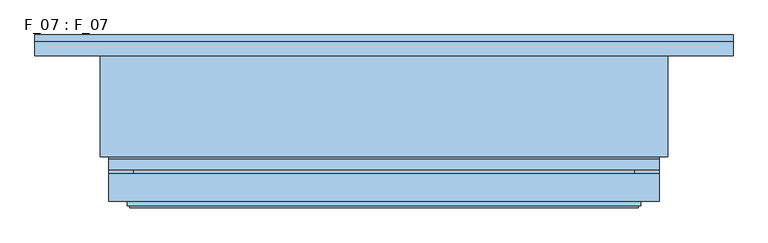
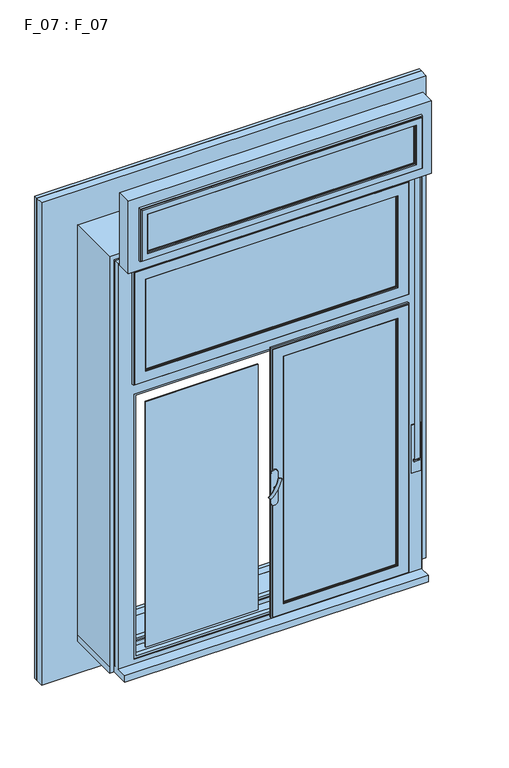
"""IFC4 building model written with IfcOpenShell, lengths in millimetres: window geometry, F_07 : F_07."""

from ifc_helpers import new_model, si_unit, point, frame, frame_2d, origin, place, context, project, spatial, polyline, circle_curve, ellipse_curve, trimmed, segment, composite_curve, outline, extrude, faceted_brep, source, transform, mapped, element, save
from ifc_brep_helpers import plane_surface, revolved_surface, advanced_brep


def f_07_f_07_e4f1faaf(model_context):
    return source(origin(), model_context, "Body", "SolidModel", [
        extrude(outline(polyline([(2710.0, -675.0), (820.0, -675.0), (820.0, 675.0), (2710.0, 675.0), (2710.0, -675.0)]), holes=[polyline([(2690.0, -655.0), (2690.0, 655.0), (840.0, 655.0), (840.0, -655.0), (2690.0, -655.0)])]), frame((0.0, 255.0, 0.0), z_axis=(0.0, 1.0, 0.0), x_axis=(0.0, 0.0, 1.0)), (0.0, 0.0, 1.0), 15.0),
        extrude(outline(polyline([(665.0, -830.0), (665.0, 830.0), (2865.0, 830.0), (2865.0, -830.0), (665.0, -830.0)]), holes=[polyline([(2845.0, -810.0), (2845.0, 810.0), (685.0, 810.0), (685.0, -810.0), (2845.0, -810.0)])]), frame((0.0, 255.0, 0.0), z_axis=(0.0, 1.0, 0.0), x_axis=(0.0, 0.0, 1.0)), (0.0, 0.0, 1.0), 15.0),
        extrude(outline(polyline([(820.0, 685.6066017), (944.3933983, 810.0), (965.6066017, 810.0), (1090.0, 685.6066017), (1214.3933983, 810.0), (1235.6066017, 810.0), (1360.0, 685.6066017), (1484.3933983, 810.0), (1505.6066017, 810.0), (1630.0, 685.6066017), (1754.3933983, 810.0), (1775.6066017, 810.0), (1900.0, 685.6066017), (2024.3933983, 810.0), (2045.6066017, 810.0), (2170.0, 685.6066017), (2294.3933983, 810.0), (2315.6066017, 810.0), (2440.0, 685.6066017), (2564.3933983, 810.0), (2575.0, 810.0), (2704.6966991, 680.3033009), (2834.3933983, 810.0), (2845.0, 810.0), (2845.0, 799.3933983), (2715.3033009, 669.6966991), (2845.0, 540.0), (2845.0, 529.3933983), (2720.6066017, 405.0), (2845.0, 280.6066017), (2845.0, 259.3933983), (2720.6066017, 135.0), (2845.0, 10.6066017), (2845.0, -10.6066017), (2720.6066017, -135.0), (2845.0, -259.3933983), (2845.0, -280.6066017), (2720.6066017, -405.0), (2845.0, -529.3933983), (2845.0, -550.6066017), (2720.6066017, -675.0), (2845.0, -799.3933983), (2845.0, -810.0), (2834.3933983, -810.0), (2710.0, -685.6066017), (2585.6066017, -810.0), (2564.3933983, -810.0), (2440.0, -685.6066017), (2315.6066017, -810.0), (2294.3933983, -810.0), (2170.0, -685.6066017), (2045.6066017, -810.0), (2024.3933983, -810.0), (1900.0, -685.6066017), (1775.6066017, -810.0), (1754.3933983, -810.0), (1630.0, -685.6066017), (1505.6066017, -810.0), (1484.3933983, -810.0), (1360.0, -685.6066017), (1235.6066017, -810.0), (1214.3933983, -810.0), (1090.0, -685.6066017), (965.6066017, -810.0), (944.3933983, -810.0), (820.0, -685.6066017), (695.6066017, -810.0), (685.0, -810.0), (685.0, -799.3933983), (809.3933983, -675.0), (685.0, -550.6066017), (685.0, -529.3933983), (809.3933983, -405.0), (685.0, -280.6066017), (685.0, -259.3933983), (809.3933983, -135.0), (685.0, -10.6066017), (685.0, 10.6066017), (809.3933983, 135.0), (685.0, 259.3933983), (685.0, 280.6066017), (809.3933983, 405.0), (685.0, 529.3933983), (685.0, 550.6066017), (809.3933983, 675.0), (685.0, 799.3933983), (685.0, 810.0), (695.6066017, 810.0), (820.0, 685.6066017)]), holes=[polyline([(820.0, 664.3933983), (695.6066017, 540.0), (820.0, 415.6066017), (820.0, 394.3933983), (695.6066017, 270.0), (820.0, 145.6066017), (820.0, 124.3933983), (695.6066017, 0.0), (820.0, -124.3933983), (820.0, -145.6066017), (695.6066017, -270.0), (820.0, -394.3933983), (820.0, -415.6066017), (695.6066017, -540.0), (820.0, -664.3933983), (820.0, -675.0), (830.6066017, -675.0), (955.0, -799.3933983), (1079.3933983, -675.0), (1100.6066017, -675.0), (1225.0, -799.3933983), (1349.3933983, -675.0), (1370.6066017, -675.0), (1495.0, -799.3933983), (1619.3933983, -675.0), (1640.6066017, -675.0), (1765.0, -799.3933983), (1889.3933983, -675.0), (1910.6066017, -675.0), (2035.0, -799.3933983), (2159.3933983, -675.0), (2180.6066017, -675.0), (2305.0, -799.3933983), (2429.3933983, -675.0), (2450.6066017, -675.0), (2575.0, -799.3933983), (2699.3933983, -675.0), (2710.0, -675.0), (2710.0, -664.3933983), (2834.3933983, -540.0), (2710.0, -415.6066017), (2710.0, -394.3933983), (2834.3933983, -270.0), (2710.0, -145.6066017), (2710.0, -124.3933983), (2834.3933983, 0.0), (2710.0, 124.3933983), (2710.0, 145.6066017), (2834.3933983, 270.0), (2710.0, 394.3933983), (2710.0, 415.6066017), (2829.0900974, 534.6966991), (2710.0, 653.7867966), (2710.0, 675.0), (2688.7867966, 675.0), (2569.6966991, 794.0900974), (2450.6066017, 675.0), (2429.3933983, 675.0), (2305.0, 799.3933983), (2180.6066017, 675.0), (2159.3933983, 675.0), (2035.0, 799.3933983), (1910.6066017, 675.0), (1889.3933983, 675.0), (1765.0, 799.3933983), (1640.6066017, 675.0), (1619.3933983, 675.0), (1495.0, 799.3933983), (1370.6066017, 675.0), (1349.3933983, 675.0), (1225.0, 799.3933983), (1100.6066017, 675.0), (1079.3933983, 675.0), (955.0, 799.3933983), (830.6066017, 675.0), (820.0, 675.0), (820.0, 664.3933983)])]), frame((0.0, 255.0, 0.0), z_axis=(0.0, 1.0, 0.0), x_axis=(0.0, 0.0, 1.0)), (0.0, 0.0, 1.0), 10.0),
        extrude(outline(composite_curve([segment(polyline([(2845.0, 470.0), (2845.0, 340.0)]), True, "CONTINUOUS"), segment(trimmed(circle_curve(frame_2d((2845.0, 405.0)), 65.0), [point((2845.0, 340.0))], [point((2845.0, 470.0))], False, "CARTESIAN"), True, "CONTINUOUS")], self_intersect=False)), frame((0.0, 255.0, 0.0), z_axis=(0.0, 1.0, 0.0), x_axis=(0.0, 0.0, 1.0)), (0.0, 0.0, 1.0), 10.0),
        extrude(outline(composite_curve([segment(polyline([(2845.0, 200.0), (2845.0, 70.0)]), True, "CONTINUOUS"), segment(trimmed(circle_curve(frame_2d((2845.0, 135.0)), 65.0), [point((2845.0, 70.0))], [point((2845.0, 200.0))], False, "CARTESIAN"), True, "CONTINUOUS")], self_intersect=False)), frame((0.0, 255.0, 0.0), z_axis=(0.0, 1.0, 0.0), x_axis=(0.0, 0.0, 1.0)), (0.0, 0.0, 1.0), 10.0),
        extrude(outline(composite_curve([segment(polyline([(2845.0, -70.0), (2845.0, -200.0)]), True, "CONTINUOUS"), segment(trimmed(circle_curve(frame_2d((2845.0, -135.0)), 65.0), [point((2845.0, -200.0))], [point((2845.0, -70.0))], False, "CARTESIAN"), True, "CONTINUOUS")], self_intersect=False)), frame((0.0, 255.0, 0.0), z_axis=(0.0, 1.0, 0.0), x_axis=(0.0, 0.0, 1.0)), (0.0, 0.0, 1.0), 10.0),
        extrude(outline(composite_curve([segment(polyline([(2845.0, -340.0), (2845.0, -470.0)]), True, "CONTINUOUS"), segment(trimmed(circle_curve(frame_2d((2845.0, -405.0)), 65.0), [point((2845.0, -470.0))], [point((2845.0, -340.0))], False, "CARTESIAN"), True, "CONTINUOUS")], self_intersect=False)), frame((0.0, 255.0, 0.0), z_axis=(0.0, 1.0, 0.0), x_axis=(0.0, 0.0, 1.0)), (0.0, 0.0, 1.0), 10.0),
        extrude(outline(composite_curve([segment(polyline([(2845.0, -610.0), (2845.0, -740.0)]), True, "CONTINUOUS"), segment(trimmed(circle_curve(frame_2d((2845.0, -675.0)), 65.0), [point((2845.0, -740.0))], [point((2845.0, -610.0))], False, "CARTESIAN"), True, "CONTINUOUS")], self_intersect=False)), frame((0.0, 255.0, 0.0), z_axis=(0.0, 1.0, 0.0), x_axis=(0.0, 0.0, 1.0)), (0.0, 0.0, 1.0), 10.0),
        extrude(outline(composite_curve([segment(polyline([(2845.0, 735.0), (2845.0, 605.0)]), True, "CONTINUOUS"), segment(trimmed(circle_curve(frame_2d((2845.0, 670.0)), 65.0), [point((2845.0, 605.0))], [point((2845.0, 735.0))], False, "CARTESIAN"), True, "CONTINUOUS")], self_intersect=False)), frame((0.0, 255.0, 0.0), z_axis=(0.0, 1.0, 0.0), x_axis=(0.0, 0.0, 1.0)), (0.0, 0.0, 1.0), 10.0),
        extrude(outline(composite_curve([segment(trimmed(circle_curve(frame_2d((2710.0, 270.0)), 65.0), [point((2710.0, 335.0))], [point((2710.0, 205.0))], False, "CARTESIAN"), True, "CONTINUOUS"), segment(polyline([(2710.0, 205.0), (2710.0, 335.0)]), True, "CONTINUOUS")], self_intersect=False)), frame((0.0, 255.0, 0.0), z_axis=(0.0, 1.0, 0.0), x_axis=(0.0, 0.0, 1.0)), (0.0, 0.0, 1.0), 10.0),
        extrude(outline(composite_curve([segment(trimmed(circle_curve(frame_2d((2710.0, 534.6966991)), 65.0), [point((2710.0, 599.6966991))], [point((2710.0, 469.6966991))], False, "CARTESIAN"), True, "CONTINUOUS"), segment(polyline([(2710.0, 469.6966991), (2710.0, 599.6966991)]), True, "CONTINUOUS")], self_intersect=False)), frame((0.0, 255.0, 0.0), z_axis=(0.0, 1.0, 0.0), x_axis=(0.0, 0.0, 1.0)), (0.0, 0.0, 1.0), 10.0),
        extrude(outline(composite_curve([segment(trimmed(circle_curve(frame_2d((2710.0, 0.0)), 65.0), [point((2710.0, 65.0))], [point((2710.0, -65.0))], False, "CARTESIAN"), True, "CONTINUOUS"), segment(polyline([(2710.0, -65.0), (2710.0, 65.0)]), True, "CONTINUOUS")], self_intersect=False)), frame((0.0, 255.0, 0.0), z_axis=(0.0, 1.0, 0.0), x_axis=(0.0, 0.0, 1.0)), (0.0, 0.0, 1.0), 10.0),
        extrude(outline(composite_curve([segment(trimmed(circle_curve(frame_2d((2710.0, -270.0)), 65.0), [point((2710.0, -205.0))], [point((2710.0, -335.0))], False, "CARTESIAN"), True, "CONTINUOUS"), segment(polyline([(2710.0, -335.0), (2710.0, -205.0)]), True, "CONTINUOUS")], self_intersect=False)), frame((0.0, 255.0, 0.0), z_axis=(0.0, 1.0, 0.0), x_axis=(0.0, 0.0, 1.0)), (0.0, 0.0, 1.0), 10.0),
        extrude(outline(composite_curve([segment(trimmed(circle_curve(frame_2d((2710.0, -540.0)), 65.0), [point((2710.0, -475.0))], [point((2710.0, -605.0))], False, "CARTESIAN"), True, "CONTINUOUS"), segment(polyline([(2710.0, -605.0), (2710.0, -475.0)]), True, "CONTINUOUS")], self_intersect=False)), frame((0.0, 255.0, 0.0), z_axis=(0.0, 1.0, 0.0), x_axis=(0.0, 0.0, 1.0)), (0.0, 0.0, 1.0), 10.0),
        extrude(outline(composite_curve([segment(polyline([(820.0, 605.0), (820.0, 475.0)]), True, "CONTINUOUS"), segment(trimmed(circle_curve(frame_2d((820.0, 540.0)), 65.0), [point((820.0, 475.0))], [point((820.0, 605.0))], False, "CARTESIAN"), True, "CONTINUOUS")], self_intersect=False)), frame((0.0, 255.0, 0.0), z_axis=(0.0, 1.0, 0.0), x_axis=(0.0, 0.0, 1.0)), (0.0, 0.0, 1.0), 10.0),
        extrude(outline(composite_curve([segment(polyline([(820.0, 335.0), (820.0, 205.0)]), True, "CONTINUOUS"), segment(trimmed(circle_curve(frame_2d((820.0, 270.0)), 65.0), [point((820.0, 205.0))], [point((820.0, 335.0))], False, "CARTESIAN"), True, "CONTINUOUS")], self_intersect=False)), frame((0.0, 255.0, 0.0), z_axis=(0.0, 1.0, 0.0), x_axis=(0.0, 0.0, 1.0)), (0.0, 0.0, 1.0), 10.0),
        extrude(outline(composite_curve([segment(polyline([(820.0, 65.0), (820.0, -65.0)]), True, "CONTINUOUS"), segment(trimmed(circle_curve(frame_2d((820.0, 0.0)), 65.0), [point((820.0, -65.0))], [point((820.0, 65.0))], False, "CARTESIAN"), True, "CONTINUOUS")], self_intersect=False)), frame((0.0, 255.0, 0.0), z_axis=(0.0, 1.0, 0.0), x_axis=(0.0, 0.0, 1.0)), (0.0, 0.0, 1.0), 10.0),
        extrude(outline(composite_curve([segment(polyline([(820.0, -205.0), (820.0, -335.0)]), True, "CONTINUOUS"), segment(trimmed(circle_curve(frame_2d((820.0, -270.0)), 65.0), [point((820.0, -335.0))], [point((820.0, -205.0))], False, "CARTESIAN"), True, "CONTINUOUS")], self_intersect=False)), frame((0.0, 255.0, 0.0), z_axis=(0.0, 1.0, 0.0), x_axis=(0.0, 0.0, 1.0)), (0.0, 0.0, 1.0), 10.0),
        extrude(outline(composite_curve([segment(polyline([(820.0, -475.0), (820.0, -605.0)]), True, "CONTINUOUS"), segment(trimmed(circle_curve(frame_2d((820.0, -540.0)), 65.0), [point((820.0, -605.0))], [point((820.0, -475.0))], False, "CARTESIAN"), True, "CONTINUOUS")], self_intersect=False)), frame((0.0, 255.0, 0.0), z_axis=(0.0, 1.0, 0.0), x_axis=(0.0, 0.0, 1.0)), (0.0, 0.0, 1.0), 10.0),
        extrude(outline(composite_curve([segment(trimmed(circle_curve(frame_2d((685.0, 405.0)), 65.0), [point((685.0, 470.0))], [point((685.0, 340.0))], False, "CARTESIAN"), True, "CONTINUOUS"), segment(polyline([(685.0, 340.0), (685.0, 470.0)]), True, "CONTINUOUS")], self_intersect=False)), frame((0.0, 255.0, 0.0), z_axis=(0.0, 1.0, 0.0), x_axis=(0.0, 0.0, 1.0)), (0.0, 0.0, 1.0), 10.0),
        extrude(outline(composite_curve([segment(trimmed(circle_curve(frame_2d((685.0, 135.0)), 65.0), [point((685.0, 200.0))], [point((685.0, 70.0))], False, "CARTESIAN"), True, "CONTINUOUS"), segment(polyline([(685.0, 70.0), (685.0, 200.0)]), True, "CONTINUOUS")], self_intersect=False)), frame((0.0, 255.0, 0.0), z_axis=(0.0, 1.0, 0.0), x_axis=(0.0, 0.0, 1.0)), (0.0, 0.0, 1.0), 10.0),
        extrude(outline(composite_curve([segment(trimmed(circle_curve(frame_2d((685.0, 675.0)), 65.0), [point((685.0, 740.0))], [point((685.0, 610.0))], False, "CARTESIAN"), True, "CONTINUOUS"), segment(polyline([(685.0, 610.0), (685.0, 740.0)]), True, "CONTINUOUS")], self_intersect=False)), frame((0.0, 255.0, 0.0), z_axis=(0.0, 1.0, 0.0), x_axis=(0.0, 0.0, 1.0)), (0.0, 0.0, 1.0), 10.0),
        extrude(outline(composite_curve([segment(trimmed(circle_curve(frame_2d((685.0, -135.0)), 65.0), [point((685.0, -70.0))], [point((685.0, -200.0))], False, "CARTESIAN"), True, "CONTINUOUS"), segment(polyline([(685.0, -200.0), (685.0, -70.0)]), True, "CONTINUOUS")], self_intersect=False)), frame((0.0, 255.0, 0.0), z_axis=(0.0, 1.0, 0.0), x_axis=(0.0, 0.0, 1.0)), (0.0, 0.0, 1.0), 10.0),
        extrude(outline(composite_curve([segment(trimmed(circle_curve(frame_2d((685.0, -405.0)), 65.0), [point((685.0, -340.0))], [point((685.0, -470.0))], False, "CARTESIAN"), True, "CONTINUOUS"), segment(polyline([(685.0, -470.0), (685.0, -340.0)]), True, "CONTINUOUS")], self_intersect=False)), frame((0.0, 255.0, 0.0), z_axis=(0.0, 1.0, 0.0), x_axis=(0.0, 0.0, 1.0)), (0.0, 0.0, 1.0), 10.0),
        extrude(outline(composite_curve([segment(trimmed(circle_curve(frame_2d((685.0, -675.0)), 65.0), [point((685.0, -610.0))], [point((685.0, -740.0))], False, "CARTESIAN"), True, "CONTINUOUS"), segment(polyline([(685.0, -740.0), (685.0, -610.0)]), True, "CONTINUOUS")], self_intersect=False)), frame((0.0, 255.0, 0.0), z_axis=(0.0, 1.0, 0.0), x_axis=(0.0, 0.0, 1.0)), (0.0, 0.0, 1.0), 10.0),
        extrude(outline(composite_curve([segment(trimmed(circle_curve(frame_2d((1090.0, -810.0)), 65.0), [point((1025.0, -810.0))], [point((1155.0, -810.0))], False, "CARTESIAN"), True, "CONTINUOUS"), segment(polyline([(1155.0, -810.0), (1025.0, -810.0)]), True, "CONTINUOUS")], self_intersect=False)), frame((0.0, 255.0, 0.0), z_axis=(0.0, 1.0, 0.0), x_axis=(0.0, 0.0, 1.0)), (0.0, 0.0, 1.0), 10.0),
        extrude(outline(composite_curve([segment(trimmed(circle_curve(frame_2d((955.0, -675.0)), 65.0), [point((1020.0, -675.0))], [point((890.0, -675.0))], False, "CARTESIAN"), True, "CONTINUOUS"), segment(polyline([(890.0, -675.0), (1020.0, -675.0)]), True, "CONTINUOUS")], self_intersect=False)), frame((0.0, 255.0, 0.0), z_axis=(0.0, 1.0, 0.0), x_axis=(0.0, 0.0, 1.0)), (0.0, 0.0, 1.0), 10.0),
        extrude(outline(composite_curve([segment(trimmed(circle_curve(frame_2d((820.0, -810.0)), 65.0), [point((755.0, -810.0))], [point((885.0, -810.0))], False, "CARTESIAN"), True, "CONTINUOUS"), segment(polyline([(885.0, -810.0), (755.0, -810.0)]), True, "CONTINUOUS")], self_intersect=False)), frame((0.0, 255.0, 0.0), z_axis=(0.0, 1.0, 0.0), x_axis=(0.0, 0.0, 1.0)), (0.0, 0.0, 1.0), 10.0),
        extrude(outline(composite_curve([segment(trimmed(circle_curve(frame_2d((1360.0, -810.0)), 65.0), [point((1295.0, -810.0))], [point((1425.0, -810.0))], False, "CARTESIAN"), True, "CONTINUOUS"), segment(polyline([(1425.0, -810.0), (1295.0, -810.0)]), True, "CONTINUOUS")], self_intersect=False)), frame((0.0, 255.0, 0.0), z_axis=(0.0, 1.0, 0.0), x_axis=(0.0, 0.0, 1.0)), (0.0, 0.0, 1.0), 10.0),
        extrude(outline(composite_curve([segment(trimmed(circle_curve(frame_2d((1630.0, -810.0)), 65.0), [point((1565.0, -810.0))], [point((1695.0, -810.0))], False, "CARTESIAN"), True, "CONTINUOUS"), segment(polyline([(1695.0, -810.0), (1565.0, -810.0)]), True, "CONTINUOUS")], self_intersect=False)), frame((0.0, 255.0, 0.0), z_axis=(0.0, 1.0, 0.0), x_axis=(0.0, 0.0, 1.0)), (0.0, 0.0, 1.0), 10.0),
        extrude(outline(composite_curve([segment(trimmed(circle_curve(frame_2d((1900.0, -810.0)), 65.0), [point((1835.0, -810.0))], [point((1965.0, -810.0))], False, "CARTESIAN"), True, "CONTINUOUS"), segment(polyline([(1965.0, -810.0), (1835.0, -810.0)]), True, "CONTINUOUS")], self_intersect=False)), frame((0.0, 255.0, 0.0), z_axis=(0.0, 1.0, 0.0), x_axis=(0.0, 0.0, 1.0)), (0.0, 0.0, 1.0), 10.0),
        extrude(outline(composite_curve([segment(trimmed(circle_curve(frame_2d((2170.0, -810.0)), 65.0), [point((2105.0, -810.0))], [point((2235.0, -810.0))], False, "CARTESIAN"), True, "CONTINUOUS"), segment(polyline([(2235.0, -810.0), (2105.0, -810.0)]), True, "CONTINUOUS")], self_intersect=False)), frame((0.0, 255.0, 0.0), z_axis=(0.0, 1.0, 0.0), x_axis=(0.0, 0.0, 1.0)), (0.0, 0.0, 1.0), 10.0),
        extrude(outline(composite_curve([segment(trimmed(circle_curve(frame_2d((2440.0, -810.0)), 65.0), [point((2375.0, -810.0))], [point((2505.0, -810.0))], False, "CARTESIAN"), True, "CONTINUOUS"), segment(polyline([(2505.0, -810.0), (2375.0, -810.0)]), True, "CONTINUOUS")], self_intersect=False)), frame((0.0, 255.0, 0.0), z_axis=(0.0, 1.0, 0.0), x_axis=(0.0, 0.0, 1.0)), (0.0, 0.0, 1.0), 10.0),
        extrude(outline(composite_curve([segment(trimmed(circle_curve(frame_2d((2710.0, -810.0)), 65.0), [point((2645.0, -810.0))], [point((2775.0, -810.0))], False, "CARTESIAN"), True, "CONTINUOUS"), segment(polyline([(2775.0, -810.0), (2645.0, -810.0)]), True, "CONTINUOUS")], self_intersect=False)), frame((0.0, 255.0, 0.0), z_axis=(0.0, 1.0, 0.0), x_axis=(0.0, 0.0, 1.0)), (0.0, 0.0, 1.0), 10.0),
        extrude(outline(composite_curve([segment(trimmed(circle_curve(frame_2d((2569.6966991, 675.0)), 65.0), [point((2504.6966991, 675.0))], [point((2634.6966991, 675.0))], False, "CARTESIAN"), True, "CONTINUOUS"), segment(polyline([(2634.6966991, 675.0), (2504.6966991, 675.0)]), True, "CONTINUOUS")], self_intersect=False)), frame((0.0, 255.0, 0.0), z_axis=(0.0, 1.0, 0.0), x_axis=(0.0, 0.0, 1.0)), (0.0, 0.0, 1.0), 10.0),
        extrude(outline(composite_curve([segment(trimmed(circle_curve(frame_2d((2305.0, 675.0)), 65.0), [point((2240.0, 675.0))], [point((2370.0, 675.0))], False, "CARTESIAN"), True, "CONTINUOUS"), segment(polyline([(2370.0, 675.0), (2240.0, 675.0)]), True, "CONTINUOUS")], self_intersect=False)), frame((0.0, 255.0, 0.0), z_axis=(0.0, 1.0, 0.0), x_axis=(0.0, 0.0, 1.0)), (0.0, 0.0, 1.0), 10.0),
        extrude(outline(composite_curve([segment(trimmed(circle_curve(frame_2d((2035.0, 675.0)), 65.0), [point((1970.0, 675.0))], [point((2100.0, 675.0))], False, "CARTESIAN"), True, "CONTINUOUS"), segment(polyline([(2100.0, 675.0), (1970.0, 675.0)]), True, "CONTINUOUS")], self_intersect=False)), frame((0.0, 255.0, 0.0), z_axis=(0.0, 1.0, 0.0), x_axis=(0.0, 0.0, 1.0)), (0.0, 0.0, 1.0), 10.0),
        extrude(outline(composite_curve([segment(trimmed(circle_curve(frame_2d((1765.0, 675.0)), 65.0), [point((1700.0, 675.0))], [point((1830.0, 675.0))], False, "CARTESIAN"), True, "CONTINUOUS"), segment(polyline([(1830.0, 675.0), (1700.0, 675.0)]), True, "CONTINUOUS")], self_intersect=False)), frame((0.0, 255.0, 0.0), z_axis=(0.0, 1.0, 0.0), x_axis=(0.0, 0.0, 1.0)), (0.0, 0.0, 1.0), 10.0),
        extrude(outline(composite_curve([segment(trimmed(circle_curve(frame_2d((1225.0, 675.0)), 65.0), [point((1160.0, 675.0))], [point((1290.0, 675.0))], False, "CARTESIAN"), True, "CONTINUOUS"), segment(polyline([(1290.0, 675.0), (1160.0, 675.0)]), True, "CONTINUOUS")], self_intersect=False)), frame((0.0, 255.0, 0.0), z_axis=(0.0, 1.0, 0.0), x_axis=(0.0, 0.0, 1.0)), (0.0, 0.0, 1.0), 10.0),
        extrude(outline(composite_curve([segment(trimmed(circle_curve(frame_2d((955.0, 675.0)), 65.0), [point((890.0, 675.0))], [point((1020.0, 675.0))], False, "CARTESIAN"), True, "CONTINUOUS"), segment(polyline([(1020.0, 675.0), (890.0, 675.0)]), True, "CONTINUOUS")], self_intersect=False)), frame((0.0, 255.0, 0.0), z_axis=(0.0, 1.0, 0.0), x_axis=(0.0, 0.0, 1.0)), (0.0, 0.0, 1.0), 10.0),
        extrude(outline(composite_curve([segment(trimmed(circle_curve(frame_2d((1495.0, 675.0)), 65.0), [point((1430.0, 675.0))], [point((1560.0, 675.0))], False, "CARTESIAN"), True, "CONTINUOUS"), segment(polyline([(1560.0, 675.0), (1430.0, 675.0)]), True, "CONTINUOUS")], self_intersect=False)), frame((0.0, 255.0, 0.0), z_axis=(0.0, 1.0, 0.0), x_axis=(0.0, 0.0, 1.0)), (0.0, 0.0, 1.0), 10.0),
        extrude(outline(composite_curve([segment(trimmed(circle_curve(frame_2d((1225.0, -675.0)), 65.0), [point((1290.0, -675.0))], [point((1160.0, -675.0))], False, "CARTESIAN"), True, "CONTINUOUS"), segment(polyline([(1160.0, -675.0), (1290.0, -675.0)]), True, "CONTINUOUS")], self_intersect=False)), frame((0.0, 255.0, 0.0), z_axis=(0.0, 1.0, 0.0), x_axis=(0.0, 0.0, 1.0)), (0.0, 0.0, 1.0), 10.0),
        extrude(outline(composite_curve([segment(trimmed(circle_curve(frame_2d((1495.0, -675.0)), 65.0), [point((1560.0, -675.0))], [point((1430.0, -675.0))], False, "CARTESIAN"), True, "CONTINUOUS"), segment(polyline([(1430.0, -675.0), (1560.0, -675.0)]), True, "CONTINUOUS")], self_intersect=False)), frame((0.0, 255.0, 0.0), z_axis=(0.0, 1.0, 0.0), x_axis=(0.0, 0.0, 1.0)), (0.0, 0.0, 1.0), 10.0),
        extrude(outline(composite_curve([segment(trimmed(circle_curve(frame_2d((1765.0, -675.0)), 65.0), [point((1830.0, -675.0))], [point((1700.0, -675.0))], False, "CARTESIAN"), True, "CONTINUOUS"), segment(polyline([(1700.0, -675.0), (1830.0, -675.0)]), True, "CONTINUOUS")], self_intersect=False)), frame((0.0, 255.0, 0.0), z_axis=(0.0, 1.0, 0.0), x_axis=(0.0, 0.0, 1.0)), (0.0, 0.0, 1.0), 10.0),
        extrude(outline(composite_curve([segment(trimmed(circle_curve(frame_2d((2035.0, -675.0)), 65.0), [point((2100.0, -675.0))], [point((1970.0, -675.0))], False, "CARTESIAN"), True, "CONTINUOUS"), segment(polyline([(1970.0, -675.0), (2100.0, -675.0)]), True, "CONTINUOUS")], self_intersect=False)), frame((0.0, 255.0, 0.0), z_axis=(0.0, 1.0, 0.0), x_axis=(0.0, 0.0, 1.0)), (0.0, 0.0, 1.0), 10.0),
        extrude(outline(composite_curve([segment(trimmed(circle_curve(frame_2d((2305.0, -675.0)), 65.0), [point((2370.0, -675.0))], [point((2240.0, -675.0))], False, "CARTESIAN"), True, "CONTINUOUS"), segment(polyline([(2240.0, -675.0), (2370.0, -675.0)]), True, "CONTINUOUS")], self_intersect=False)), frame((0.0, 255.0, 0.0), z_axis=(0.0, 1.0, 0.0), x_axis=(0.0, 0.0, 1.0)), (0.0, 0.0, 1.0), 10.0),
        extrude(outline(composite_curve([segment(trimmed(circle_curve(frame_2d((2575.0, -675.0)), 65.0), [point((2640.0, -675.0))], [point((2510.0, -675.0))], False, "CARTESIAN"), True, "CONTINUOUS"), segment(polyline([(2510.0, -675.0), (2640.0, -675.0)]), True, "CONTINUOUS")], self_intersect=False)), frame((0.0, 255.0, 0.0), z_axis=(0.0, 1.0, 0.0), x_axis=(0.0, 0.0, 1.0)), (0.0, 0.0, 1.0), 10.0),
        extrude(outline(composite_curve([segment(trimmed(circle_curve(frame_2d((2704.6966991, 810.0)), 65.0), [point((2769.6966991, 810.0))], [point((2639.6966991, 810.0))], False, "CARTESIAN"), True, "CONTINUOUS"), segment(polyline([(2639.6966991, 810.0), (2769.6966991, 810.0)]), True, "CONTINUOUS")], self_intersect=False)), frame((0.0, 255.0, 0.0), z_axis=(0.0, 1.0, 0.0), x_axis=(0.0, 0.0, 1.0)), (0.0, 0.0, 1.0), 10.0),
        extrude(outline(composite_curve([segment(trimmed(circle_curve(frame_2d((2434.6966991, 810.0)), 65.0), [point((2499.6966991, 810.0))], [point((2369.6966991, 810.0))], False, "CARTESIAN"), True, "CONTINUOUS"), segment(polyline([(2369.6966991, 810.0), (2499.6966991, 810.0)]), True, "CONTINUOUS")], self_intersect=False)), frame((0.0, 255.0, 0.0), z_axis=(0.0, 1.0, 0.0), x_axis=(0.0, 0.0, 1.0)), (0.0, 0.0, 1.0), 10.0),
        extrude(outline(composite_curve([segment(trimmed(circle_curve(frame_2d((2164.6966991, 810.0)), 65.0), [point((2229.6966991, 810.0))], [point((2099.6966991, 810.0))], False, "CARTESIAN"), True, "CONTINUOUS"), segment(polyline([(2099.6966991, 810.0), (2229.6966991, 810.0)]), True, "CONTINUOUS")], self_intersect=False)), frame((0.0, 255.0, 0.0), z_axis=(0.0, 1.0, 0.0), x_axis=(0.0, 0.0, 1.0)), (0.0, 0.0, 1.0), 10.0),
        extrude(outline(composite_curve([segment(trimmed(circle_curve(frame_2d((1894.6966991, 810.0)), 65.0), [point((1959.6966991, 810.0))], [point((1829.6966991, 810.0))], False, "CARTESIAN"), True, "CONTINUOUS"), segment(polyline([(1829.6966991, 810.0), (1959.6966991, 810.0)]), True, "CONTINUOUS")], self_intersect=False)), frame((0.0, 255.0, 0.0), z_axis=(0.0, 1.0, 0.0), x_axis=(0.0, 0.0, 1.0)), (0.0, 0.0, 1.0), 10.0),
        extrude(outline(composite_curve([segment(trimmed(circle_curve(frame_2d((1624.6966991, 810.0)), 65.0), [point((1689.6966991, 810.0))], [point((1559.6966991, 810.0))], False, "CARTESIAN"), True, "CONTINUOUS"), segment(polyline([(1559.6966991, 810.0), (1689.6966991, 810.0)]), True, "CONTINUOUS")], self_intersect=False)), frame((0.0, 255.0, 0.0), z_axis=(0.0, 1.0, 0.0), x_axis=(0.0, 0.0, 1.0)), (0.0, 0.0, 1.0), 10.0),
        extrude(outline(composite_curve([segment(trimmed(circle_curve(frame_2d((1354.6966991, 810.0)), 65.0), [point((1419.6966991, 810.0))], [point((1289.6966991, 810.0))], False, "CARTESIAN"), True, "CONTINUOUS"), segment(polyline([(1289.6966991, 810.0), (1419.6966991, 810.0)]), True, "CONTINUOUS")], self_intersect=False)), frame((0.0, 255.0, 0.0), z_axis=(0.0, 1.0, 0.0), x_axis=(0.0, 0.0, 1.0)), (0.0, 0.0, 1.0), 10.0),
        extrude(outline(composite_curve([segment(trimmed(circle_curve(frame_2d((1084.6966991, 810.0)), 65.0), [point((1149.6966991, 810.0))], [point((1019.6966991, 810.0))], False, "CARTESIAN"), True, "CONTINUOUS"), segment(polyline([(1019.6966991, 810.0), (1149.6966991, 810.0)]), True, "CONTINUOUS")], self_intersect=False)), frame((0.0, 255.0, 0.0), z_axis=(0.0, 1.0, 0.0), x_axis=(0.0, 0.0, 1.0)), (0.0, 0.0, 1.0), 10.0),
        extrude(outline(composite_curve([segment(trimmed(circle_curve(frame_2d((814.6966991, 810.0)), 65.0), [point((879.6966991, 810.0))], [point((749.6966991, 810.0))], False, "CARTESIAN"), True, "CONTINUOUS"), segment(polyline([(749.6966991, 810.0), (879.6966991, 810.0)]), True, "CONTINUOUS")], self_intersect=False)), frame((0.0, 255.0, 0.0), z_axis=(0.0, 1.0, 0.0), x_axis=(0.0, 0.0, 1.0)), (0.0, 0.0, 1.0), 10.0),
        extrude(outline(polyline([(665.0, -830.0), (665.0, 830.0), (2865.0, 830.0), (2865.0, -830.0), (665.0, -830.0)]), holes=[polyline([(2690.0, -655.0), (2690.0, 655.0), (840.0, 655.0), (840.0, -655.0), (2690.0, -655.0)])]), frame((0.0, 220.0, 0.0), z_axis=(0.0, 1.0, 0.0), x_axis=(0.0, 0.0, 1.0)), (0.0, 0.0, 1.0), 35.0),
        faceted_brep([(610.0, -126.0115087, 2975.0), (610.0, -136.0115087, 2975.0), (610.0, -136.0115087, 2735.0), (610.0, -126.0115087, 2735.0), (575.0, -136.0115087, 2770.0), (575.0, -136.0115087, 2940.0), (575.0, -131.0115087, 2940.0), (575.0, -131.0115087, 2770.0), (580.0, -141.0115087, 2945.0), (580.0, -136.0115087, 2945.0), (580.0, -136.0115087, 2765.0), (580.0, -141.0115087, 2765.0), (605.0, -136.0115087, 2970.0), (605.0, -141.0115087, 2970.0), (605.0, -141.0115087, 2740.0), (605.0, -136.0115087, 2740.0), (-610.0, -136.0115087, 2735.0), (-610.0, -126.0115087, 2735.0), (-575.0, -136.0115087, 2770.0), (-575.0, -131.0115087, 2770.0), (-580.0, -136.0115087, 2765.0), (-580.0, -141.0115087, 2765.0), (-605.0, -141.0115087, 2740.0), (-605.0, -136.0115087, 2740.0), (-610.0, -136.0115087, 2975.0), (-610.0, -126.0115087, 2975.0), (-575.0, -136.0115087, 2940.0), (-575.0, -131.0115087, 2940.0), (-580.0, -136.0115087, 2945.0), (-580.0, -141.0115087, 2945.0), (-605.0, -141.0115087, 2970.0), (-605.0, -136.0115087, 2970.0)], [[[0, 1, 2, 3]], [[4, 5, 6, 7]], [[8, 9, 10, 11]], [[12, 13, 14, 15]], [[3, 2, 16, 17]], [[18, 4, 7, 19]], [[11, 10, 20, 21]], [[15, 14, 22, 23]], [[17, 16, 24, 25]], [[26, 18, 19, 27]], [[21, 20, 28, 29]], [[23, 22, 30, 31]], [[1, 0, 25, 24]], [[5, 26, 27, 6]], [[10, 9, 28, 20], [5, 4, 18, 26]], [[9, 8, 29, 28]], [[14, 13, 30, 22], [8, 11, 21, 29]], [[13, 12, 31, 30]], [[2, 1, 24, 16], [12, 15, 23, 31]], [[7, 6, 27, 19]], [[0, 3, 17, 25]]]),
        extrude(outline(polyline([(655.0, -126.0115087), (-655.0, -126.0115087), (-655.0, -60.0115087), (655.0, -60.0115087), (655.0, -126.0115087)])), frame((0.0, 0.0, 2690.0), z_axis=(0.0, 0.0, 1.0), x_axis=(1.0, 0.0, 0.0)), (0.0, 0.0, 1.0), 330.0),
        extrude(outline(polyline([(-67.2514037, 1361.1787194), (-60.0, 1357.969871), (-60.0, 1356.876336), (-67.8266265, 1360.3397286), (-71.0115087, 1363.5246108), (-71.0115087, 2690.0), (-70.0115087, 2690.0), (-70.0115087, 1363.9388244), (-67.2514037, 1361.1787194)])), frame((615.0, 0.0, 0.0), z_axis=(1.0, 0.0, 0.0), x_axis=(0.0, 1.0, 0.0)), (0.0, 0.0, 1.0), 20.0),
        extrude(outline(polyline([(612.5, -66.8371902), (612.5, -60.0), (637.5, -60.0), (637.5, -66.8371902), (612.5, -66.8371902)])), frame((0.0, 0.0, 1352.7610226), z_axis=(0.0, 0.0, 1.0), x_axis=(1.0, 0.0, 0.0)), (0.0, 0.0, 1.0), 1.0),
        extrude(outline(polyline([(-66.8371902, 1362.1787194), (-60.0, 1362.1787194), (-60.0, 1361.1787194), (-67.2514037, 1361.1787194), (-70.0115087, 1363.9388244), (-69.304402, 1364.6459312), (-66.8371902, 1362.1787194)])), frame((612.5, 0.0, 0.0), z_axis=(1.0, 0.0, 0.0), x_axis=(0.0, 1.0, 0.0)), (0.0, 0.0, 1.0), 25.0),
        extrude(outline(polyline([(1520.0, 605.0), (1300.0, 605.0), (1300.0, 645.0), (1520.0, 645.0), (1520.0, 605.0)]), holes=[polyline([(1362.1787194, 612.5), (1362.1787194, 637.5), (1352.7610226, 637.5), (1352.7610226, 612.5), (1362.1787194, 612.5)])]), frame((0.0, -62.0, 0.0), z_axis=(0.0, 1.0, 0.0), x_axis=(0.0, 0.0, 1.0)), (0.0, 0.0, 1.0), 2.0),
        advanced_brep(
        [(-28.5497704, -90.2287724, 1428.0503471), (-14.693364, -90.2287724, 1420.0503471), (14.693364, -90.2287724, 1502.9496529), (28.5497704, -90.2287724, 1494.9496529)],
        [
            (0, 1, ellipse_curve(frame((-21.6215672, -90.2287724, 1424.0503471), z_axis=(-0.46984631039295827, 0.3420201433256777, -0.8137976813493676), x_axis=(0.8660254037844349, 0.0, -0.5000000000000066)), 8.0, 3.5)),
            (1, 0, ellipse_curve(frame((-21.6215672, -90.2287724, 1424.0503471), z_axis=(-0.46984631039295827, 0.3420201433256777, -0.8137976813493676), x_axis=(0.8660254037844349, 0.0, -0.5000000000000066)), 8.0, 3.5)),
            (2, 3, ellipse_curve(frame((21.6215672, -90.2287724, 1498.9496529), z_axis=(0.46984631039296154, 0.3420201433256599, 0.8137976813493732), x_axis=(0.8660254037844355, 0.0, -0.5000000000000056)), 8.0, 3.5)),
            (3, 2, ellipse_curve(frame((21.6215672, -90.2287724, 1498.9496529), z_axis=(0.46984631039296154, 0.3420201433256599, 0.8137976813493732), x_axis=(0.8660254037844355, 0.0, -0.5000000000000056)), 8.0, 3.5)),
            (3, 1, circle_curve(frame((6.9282032, 28.580763, 1457.5), z_axis=(0.8660254037844353, 0.0, -0.500000000000006), x_axis=(-0.1710100716628409, -0.9396926207859051, -0.29619813272603046)), 126.4344667)),
            (0, 2, circle_curve(frame((-6.9282032, 28.580763, 1465.5), z_axis=(-0.8660254037844353, 0.0, 0.500000000000006), x_axis=(-0.1710100716628409, -0.9396926207859051, -0.29619813272603046)), 126.4344667)),
        ],
        [
            plane_surface(frame((40.0926994, -87.5471681, 1389.5466142), z_axis=(-0.4698463103929582, 0.34202014332567776, -0.8137976813493677), x_axis=(-0.8660254037844352, 0.0, 0.500000000000006))),
            plane_surface(frame((82.3598097, -87.5471681, 1462.7553967), z_axis=(0.4698463103929615, 0.34202014332565983, 0.8137976813493734), x_axis=(-0.8660254037844352, 0.0, 0.500000000000006))),
            revolved_surface(trimmed(ellipse_curve(frame((-21.6215672, -90.2287724, 1424.0503471), z_axis=(-0.46984631039295827, 0.3420201433256777, -0.8137976813493676), x_axis=(0.8660254037844349, 0.0, -0.5000000000000066)), 8.0, 3.5), [point((-28.5497704, -90.2287724, 1428.0503471))], [point((-14.693364, -90.2287724, 1420.0503471))], True, "CARTESIAN"), (61.2262546, 28.580763, 1426.1510055), (-0.8660254037844353, 0.0, 0.500000000000006)),
            revolved_surface(trimmed(ellipse_curve(frame((-21.6215672, -90.2287724, 1424.0503471), z_axis=(-0.46984631039295827, 0.3420201433256777, -0.8137976813493676), x_axis=(0.8660254037844349, 0.0, -0.5000000000000066)), 8.0, 3.5), [point((-14.693364, -90.2287724, 1420.0503471))], [point((-28.5497704, -90.2287724, 1428.0503471))], True, "CARTESIAN"), (61.2262546, 28.580763, 1426.1510055), (-0.8660254037844353, 0.0, 0.500000000000006)),
        ],
        [
            (0, [[1, 2]]),
            (1, [[3, 4]]),
            (2, [[5, -1, 6, -4]]),
            (3, [[-6, -2, -5, -3]]),
        ],
    ),
        extrude(outline(composite_curve([segment(trimmed(circle_curve(frame_2d((1461.5, 0.0)), 3.5), [point((1461.5, -3.5))], [point((1461.5, 3.5))], False, "CARTESIAN"), True, "CONTINUOUS"), segment(trimmed(circle_curve(frame_2d((1461.5, 0.0)), 3.5), [point((1461.5, 3.5))], [point((1461.5, -3.5))], False, "CARTESIAN"), True, "CONTINUOUS")], self_intersect=False)), frame((0.0, -95.0, 0.0), z_axis=(0.0, 1.0, 0.0), x_axis=(0.0, 0.0, 1.0)), (0.0, 0.0, 1.0), 10.0),
        extrude(outline(composite_curve([segment(polyline([(1525.8020109, -15.0), (1395.8020109, -15.0)]), True, "CONTINUOUS"), segment(trimmed(circle_curve(frame_2d((1395.8020109, 0.0)), 15.0), [point((1395.8020109, -15.0))], [point((1395.8020109, 15.0))], False, "CARTESIAN"), True, "CONTINUOUS"), segment(polyline([(1395.8020109, 15.0), (1525.8020109, 15.0)]), True, "CONTINUOUS"), segment(trimmed(circle_curve(frame_2d((1525.8020109, 0.0)), 15.0), [point((1525.8020109, 15.0))], [point((1525.8020109, -15.0))], False, "CARTESIAN"), True, "CONTINUOUS")], self_intersect=False)), frame((0.0, -85.0, 0.0), z_axis=(0.0, 1.0, 0.0), x_axis=(0.0, 0.0, 1.0)), (0.0, 0.0, 1.0), 5.0),
        faceted_brep([(-655.0, 50.0, 840.0), (-655.0, 74.0, 840.0), (655.0, 74.0, 840.0), (655.0, 50.0, 840.0), (-655.0, 50.0, 2690.0), (-655.0, 74.0, 2690.0), (655.0, 74.0, 2690.0), (-575.0, 74.0, 2060.0), (-575.0, 74.0, 870.0), (575.0, 74.0, 870.0), (575.0, 74.0, 2060.0), (-575.0, 74.0, 2620.0), (-575.0, 74.0, 2140.0), (575.0, 74.0, 2140.0), (575.0, 74.0, 2620.0), (655.0, 50.0, 2690.0), (585.0, 50.0, 2070.0), (585.0, 50.0, 860.0), (-585.0, 50.0, 860.0), (-585.0, 50.0, 2070.0), (-585.0, 50.0, 2630.0), (585.0, 50.0, 2630.0), (585.0, 50.0, 2130.0), (-585.0, 50.0, 2130.0), (-575.0, 55.0, 2620.0), (-575.0, 55.0, 2140.0), (-575.0, 55.0, 2060.0), (-575.0, 55.0, 870.0), (575.0, 55.0, 870.0), (575.0, 55.0, 2140.0), (575.0, 55.0, 2620.0), (575.0, 55.0, 2060.0), (585.0, 55.0, 2630.0), (585.0, 55.0, 2130.0), (585.0, 55.0, 2070.0), (585.0, 55.0, 860.0), (-585.0, 55.0, 860.0), (-585.0, 55.0, 2070.0), (-585.0, 55.0, 2630.0), (-585.0, 55.0, 2130.0)], [[[0, 1, 2, 3]], [[4, 5, 1, 0]], [[2, 1, 5, 6], [7, 8, 9, 10], [11, 12, 13, 14]], [[6, 15, 3, 2]], [[0, 3, 15, 4], [16, 17, 18, 19], [20, 21, 22, 23]], [[11, 24, 25, 12]], [[7, 26, 27, 8]], [[27, 28, 9, 8]], [[14, 13, 29, 30]], [[31, 10, 9, 28]], [[22, 21, 32, 33]], [[16, 34, 35, 17]], [[18, 17, 35, 36]], [[36, 37, 19, 18]], [[38, 20, 23, 39]], [[38, 39, 33, 32], [25, 24, 30, 29]], [[34, 37, 36, 35], [26, 31, 28, 27]], [[5, 4, 15, 6]], [[24, 11, 14, 30]], [[21, 20, 38, 32]], [[26, 7, 10, 31]], [[16, 19, 37, 34]], [[23, 22, 33, 39]], [[12, 25, 29, 13]]]),
        faceted_brep([(655.0, -100.0, 840.0), (-655.0, -100.0, 840.0), (-655.0, -100.0, 810.0), (655.0, -100.0, 810.0), (655.0, -20.0, 840.0), (655.0, -20.0, 810.0), (-655.0, -20.0, 810.0), (-655.0, -20.0, 840.0), (655.0, -50.0, 840.0), (-655.0, -50.0, 840.0), (-655.0, -26.0, 840.0), (655.0, -26.0, 840.0), (-655.0, -50.0, 2690.0), (-655.0, -26.0, 2690.0), (655.0, -26.0, 2690.0), (655.0, -50.0, 2690.0), (585.0, -50.0, 2070.0), (585.0, -50.0, 860.0), (-585.0, -50.0, 860.0), (-585.0, -50.0, 2070.0), (585.0, -50.0, 2130.0), (-585.0, -50.0, 2130.0), (-585.0, -50.0, 2630.0), (585.0, -50.0, 2630.0), (-575.0, -26.0, 2060.0), (-575.0, -26.0, 870.0), (575.0, -26.0, 870.0), (575.0, -26.0, 2060.0), (-575.0, -26.0, 2140.0), (575.0, -26.0, 2140.0), (575.0, -26.0, 2620.0), (-575.0, -26.0, 2620.0), (-575.0, -45.0, 2060.0), (-575.0, -45.0, 870.0), (-575.0, -45.0, 2140.0), (-575.0, -45.0, 2620.0), (575.0, -45.0, 870.0), (575.0, -45.0, 2060.0), (575.0, -45.0, 2140.0), (575.0, -45.0, 2620.0), (585.0, -45.0, 2070.0), (585.0, -45.0, 860.0), (585.0, -45.0, 2130.0), (585.0, -45.0, 2630.0), (-585.0, -45.0, 860.0), (-585.0, -45.0, 2070.0), (-585.0, -45.0, 2130.0), (-585.0, -45.0, 2630.0)], [[[0, 1, 2, 3]], [[4, 5, 6, 7]], [[1, 0, 8, 9]], [[4, 7, 10, 11]], [[2, 1, 9, 12, 13, 10, 7, 6]], [[3, 2, 6, 5]], [[0, 3, 5, 4, 11, 14, 15, 8]], [[12, 9, 8, 15], [16, 17, 18, 19], [20, 21, 22, 23]], [[10, 13, 14, 11], [24, 25, 26, 27], [28, 29, 30, 31]], [[24, 32, 33, 25]], [[34, 28, 31, 35]], [[33, 36, 26, 25]], [[37, 27, 26, 36]], [[29, 38, 39, 30]], [[16, 40, 41, 17]], [[42, 20, 23, 43]], [[18, 17, 41, 44]], [[44, 45, 19, 18]], [[21, 46, 47, 22]], [[40, 45, 44, 41], [32, 37, 36, 33]], [[46, 42, 43, 47], [38, 34, 35, 39]], [[13, 12, 15, 14]], [[39, 35, 31, 30]], [[23, 22, 47, 43]], [[32, 24, 27, 37]], [[16, 19, 45, 40]], [[21, 20, 42, 46]], [[28, 34, 38, 29]]]),
        extrude(outline(polyline([(2710.0, -675.0), (840.0, -675.0), (810.0, -675.0), (810.0, 675.0), (840.0, 675.0), (2710.0, 675.0), (2710.0, -675.0)]), holes=[polyline([(840.0, 655.0), (840.0, -655.0), (2690.0, -655.0), (2690.0, 655.0), (840.0, 655.0)])]), frame((0.0, -20.0, 0.0), z_axis=(0.0, 1.0, 0.0), x_axis=(0.0, 0.0, 1.0)), (0.0, 0.0, 1.0), 240.0),
        extrude(outline(polyline([(540.0, -57.0), (-540.0, -57.0), (-540.0, -53.0), (540.0, -53.0), (540.0, -57.0)])), frame((0.0, 0.0, 2175.0), z_axis=(0.0, 0.0, 1.0), x_axis=(1.0, 0.0, 0.0)), (0.0, 0.0, 1.0), 410.0),
        extrude(outline(polyline([(540.0, 43.0), (-540.0, 43.0), (-540.0, 47.0), (540.0, 47.0), (540.0, 43.0)])), frame((0.0, 0.0, 2175.0), z_axis=(0.0, 0.0, 1.0), x_axis=(1.0, 0.0, 0.0)), (0.0, 0.0, 1.0), 410.0),
        faceted_brep([(-545.0, 50.0, 2590.0), (-545.0, 55.0, 2590.0), (545.0, 55.0, 2590.0), (545.0, 50.0, 2590.0), (545.0, 55.0, 2170.0), (545.0, 50.0, 2170.0), (585.0, 55.0, 2130.0), (-585.0, 55.0, 2130.0), (-585.0, 55.0, 2630.0), (585.0, 55.0, 2630.0), (-545.0, 55.0, 2170.0), (-545.0, 50.0, 2170.0), (540.0, 50.0, 2585.0), (-540.0, 50.0, 2585.0), (-540.0, 50.0, 2175.0), (540.0, 50.0, 2175.0), (-540.0, 40.0, 2585.0), (540.0, 40.0, 2585.0), (540.0, 40.0, 2175.0), (545.0, 40.0, 2590.0), (-545.0, 40.0, 2590.0), (-545.0, 40.0, 2170.0), (545.0, 40.0, 2170.0), (-540.0, 40.0, 2175.0), (-545.0, 35.0, 2590.0), (545.0, 35.0, 2590.0), (545.0, 35.0, 2170.0), (590.0, 35.0, 2635.0), (-590.0, 35.0, 2635.0), (-590.0, 35.0, 2125.0), (590.0, 35.0, 2125.0), (-545.0, 35.0, 2170.0), (-595.0, 50.0, 2640.0), (-595.0, 40.0, 2640.0), (595.0, 40.0, 2640.0), (595.0, 50.0, 2640.0), (595.0, 40.0, 2120.0), (595.0, 50.0, 2120.0), (-595.0, 40.0, 2120.0), (590.0, 40.0, 2125.0), (-590.0, 40.0, 2125.0), (-590.0, 40.0, 2635.0), (590.0, 40.0, 2635.0), (-595.0, 50.0, 2120.0), (585.0, 50.0, 2630.0), (-585.0, 50.0, 2630.0), (-585.0, 50.0, 2130.0), (585.0, 50.0, 2130.0)], [[[0, 1, 2, 3]], [[3, 2, 4, 5]], [[6, 7, 8, 9], [2, 1, 10, 4]], [[5, 11, 0, 3], [12, 13, 14, 15]], [[16, 13, 12, 17]], [[17, 12, 15, 18]], [[19, 20, 21, 22], [18, 23, 16, 17]], [[24, 20, 19, 25]], [[25, 19, 22, 26]], [[27, 28, 29, 30], [26, 31, 24, 25]], [[32, 33, 34, 35]], [[35, 34, 36, 37]], [[34, 33, 38, 36], [39, 40, 41, 42]], [[37, 43, 32, 35], [44, 45, 46, 47]], [[8, 45, 44, 9]], [[9, 44, 47, 6]], [[11, 10, 1, 0]], [[23, 14, 13, 16]], [[31, 21, 20, 24]], [[43, 38, 33, 32]], [[7, 46, 45, 8]], [[41, 28, 27, 42]], [[40, 29, 28, 41]], [[42, 27, 30, 39]], [[5, 4, 10, 11]], [[18, 15, 14, 23]], [[26, 22, 21, 31]], [[37, 36, 38, 43]], [[6, 47, 46, 7]], [[39, 30, 29, 40]]]),
        faceted_brep([(-545.0, -50.0, 2590.0), (-545.0, -45.0, 2590.0), (545.0, -45.0, 2590.0), (545.0, -50.0, 2590.0), (545.0, -45.0, 2170.0), (545.0, -50.0, 2170.0), (585.0, -45.0, 2130.0), (-585.0, -45.0, 2130.0), (-585.0, -45.0, 2630.0), (585.0, -45.0, 2630.0), (-545.0, -45.0, 2170.0), (-545.0, -50.0, 2170.0), (540.0, -50.0, 2585.0), (-540.0, -50.0, 2585.0), (-540.0, -50.0, 2175.0), (540.0, -50.0, 2175.0), (-540.0, -60.0, 2585.0), (540.0, -60.0, 2585.0), (540.0, -60.0, 2175.0), (545.0, -60.0, 2590.0), (-545.0, -60.0, 2590.0), (-545.0, -60.0, 2170.0), (545.0, -60.0, 2170.0), (-540.0, -60.0, 2175.0), (-545.0, -65.0, 2590.0), (545.0, -65.0, 2590.0), (545.0, -65.0, 2170.0), (590.0, -65.0, 2635.0), (-590.0, -65.0, 2635.0), (-590.0, -65.0, 2125.0), (590.0, -65.0, 2125.0), (-545.0, -65.0, 2170.0), (-595.0, -50.0, 2640.0), (-595.0, -60.0, 2640.0), (595.0, -60.0, 2640.0), (595.0, -50.0, 2640.0), (595.0, -60.0, 2120.0), (595.0, -50.0, 2120.0), (-595.0, -60.0, 2120.0), (590.0, -60.0, 2125.0), (-590.0, -60.0, 2125.0), (-590.0, -60.0, 2635.0), (590.0, -60.0, 2635.0), (-595.0, -50.0, 2120.0), (585.0, -50.0, 2630.0), (-585.0, -50.0, 2630.0), (-585.0, -50.0, 2130.0), (585.0, -50.0, 2130.0)], [[[0, 1, 2, 3]], [[3, 2, 4, 5]], [[6, 7, 8, 9], [2, 1, 10, 4]], [[5, 11, 0, 3], [12, 13, 14, 15]], [[16, 13, 12, 17]], [[17, 12, 15, 18]], [[19, 20, 21, 22], [18, 23, 16, 17]], [[24, 20, 19, 25]], [[25, 19, 22, 26]], [[27, 28, 29, 30], [26, 31, 24, 25]], [[32, 33, 34, 35]], [[35, 34, 36, 37]], [[34, 33, 38, 36], [39, 40, 41, 42]], [[37, 43, 32, 35], [44, 45, 46, 47]], [[8, 45, 44, 9]], [[9, 44, 47, 6]], [[11, 10, 1, 0]], [[23, 14, 13, 16]], [[31, 21, 20, 24]], [[43, 38, 33, 32]], [[7, 46, 45, 8]], [[41, 28, 27, 42]], [[40, 29, 28, 41]], [[42, 27, 30, 39]], [[5, 4, 10, 11]], [[18, 15, 14, 23]], [[26, 22, 21, 31]], [[37, 36, 38, 43]], [[6, 47, 46, 7]], [[39, 30, 29, 40]]]),
        extrude(outline(polyline([(-55.0, -57.0), (-540.0, -57.0), (-540.0, -53.0), (-55.0, -53.0), (-55.0, -57.0)])), frame((0.0, 0.0, 905.0), z_axis=(0.0, 0.0, 1.0), x_axis=(1.0, 0.0, 0.0)), (0.0, 0.0, 1.0), 1120.0),
        extrude(outline(polyline([(540.0, -57.0), (55.0, -57.0), (55.0, -53.0), (540.0, -53.0), (540.0, -57.0)])), frame((0.0, 0.0, 905.0), z_axis=(0.0, 0.0, 1.0), x_axis=(1.0, 0.0, 0.0)), (0.0, 0.0, 1.0), 1120.0),
        faceted_brep([(50.0, -45.0, 2030.0), (50.0, -50.0, 2030.0), (50.0, -50.0, 900.0), (50.0, -45.0, 900.0), (545.0, -50.0, 2030.0), (545.0, -50.0, 900.0), (55.0, -50.0, 905.0), (540.0, -50.0, 905.0), (540.0, -50.0, 2025.0), (55.0, -50.0, 2025.0), (545.0, -45.0, 900.0), (10.0, -45.0, 2070.0), (585.0, -45.0, 2070.0), (585.0, -45.0, 860.0), (10.0, -45.0, 860.0), (545.0, -45.0, 2030.0), (55.0, -60.0, 2025.0), (55.0, -60.0, 905.0), (50.0, -60.0, 900.0), (545.0, -60.0, 900.0), (545.0, -60.0, 2030.0), (50.0, -60.0, 2030.0), (540.0, -60.0, 2025.0), (540.0, -60.0, 905.0), (50.0, -65.0, 2030.0), (50.0, -65.0, 900.0), (5.0, -65.0, 855.0), (590.0, -65.0, 855.0), (590.0, -65.0, 2075.0), (5.0, -65.0, 2075.0), (545.0, -65.0, 2030.0), (545.0, -65.0, 900.0), (5.0, -60.0, 2075.0), (5.0, -60.0, 855.0), (0.0, -60.0, 850.0), (595.0, -60.0, 850.0), (595.0, -60.0, 2080.0), (0.0, -60.0, 2080.0), (590.0, -60.0, 2075.0), (590.0, -60.0, 855.0), (0.0, -50.0, 2080.0), (0.0, -50.0, 850.0), (595.0, -50.0, 2080.0), (595.0, -50.0, 850.0), (10.0, -50.0, 860.0), (585.0, -50.0, 860.0), (585.0, -50.0, 2070.0), (10.0, -50.0, 2070.0)], [[[0, 1, 2, 3]], [[1, 4, 5, 2], [6, 7, 8, 9]], [[3, 2, 5, 10]], [[11, 12, 13, 14], [3, 10, 15, 0]], [[9, 16, 17, 6]], [[18, 19, 20, 21], [16, 22, 23, 17]], [[6, 17, 23, 7]], [[21, 24, 25, 18]], [[26, 27, 28, 29], [24, 30, 31, 25]], [[18, 25, 31, 19]], [[29, 32, 33, 26]], [[34, 35, 36, 37], [32, 38, 39, 33]], [[26, 33, 39, 27]], [[37, 40, 41, 34]], [[40, 42, 43, 41], [44, 45, 46, 47]], [[34, 41, 43, 35]], [[47, 11, 14, 44]], [[44, 14, 13, 45]], [[10, 5, 4, 15]], [[7, 23, 22, 8]], [[19, 31, 30, 20]], [[27, 39, 38, 28]], [[35, 43, 42, 36]], [[45, 13, 12, 46]], [[15, 4, 1, 0]], [[8, 22, 16, 9]], [[20, 30, 24, 21]], [[28, 38, 32, 29]], [[36, 42, 40, 37]], [[46, 12, 11, 47]]]),
    ])


if __name__ == "__main__":
    model = new_model("IFC4")
    model_context = context("Model", 3, world=origin())
    ifc_project = project(units=[si_unit("LENGTHUNIT", "METRE", prefix="MILLI")], contexts=[model_context])
    site = spatial("IfcSite", under=ifc_project)
    building = spatial("IfcBuilding", under=site)
    placement = place(None, origin())
    f_07_f_07_shape = f_07_f_07_e4f1faaf(model_context)
    element("IfcWindow", 1, ObjectType="F_07 : F_07", at=placement, inside=building, context=model_context, shape_type="MappedRepresentation", body=[
        mapped(f_07_f_07_shape, transform((0.0, 0.0, 0.0), x_axis=(1.0, 0.0, 0.0), y_axis=(0.0, 1.0, 0.0), z_axis=(0.0, 0.0, 1.0))),
    ])
    save(model, "model.ifc")
